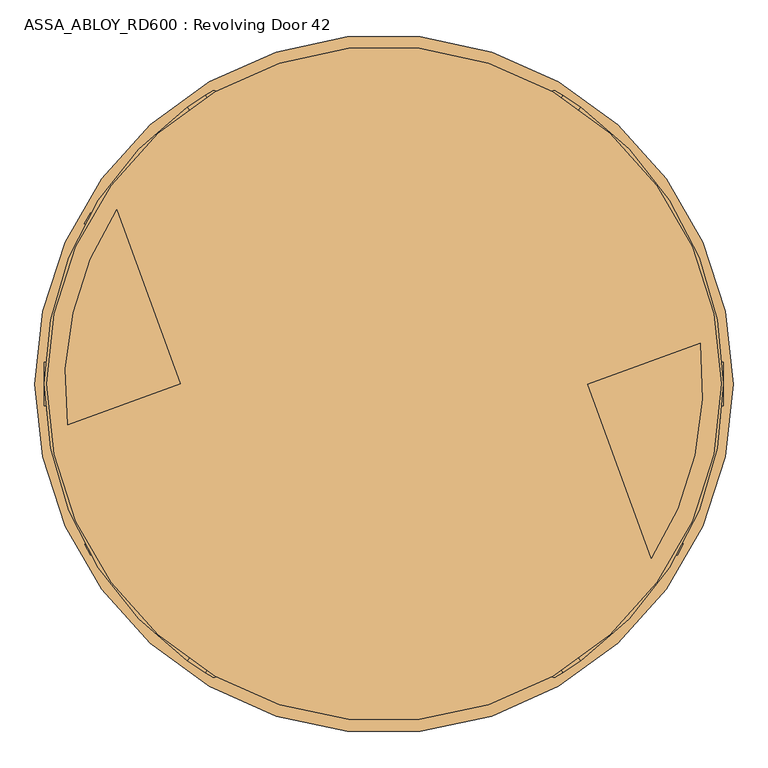
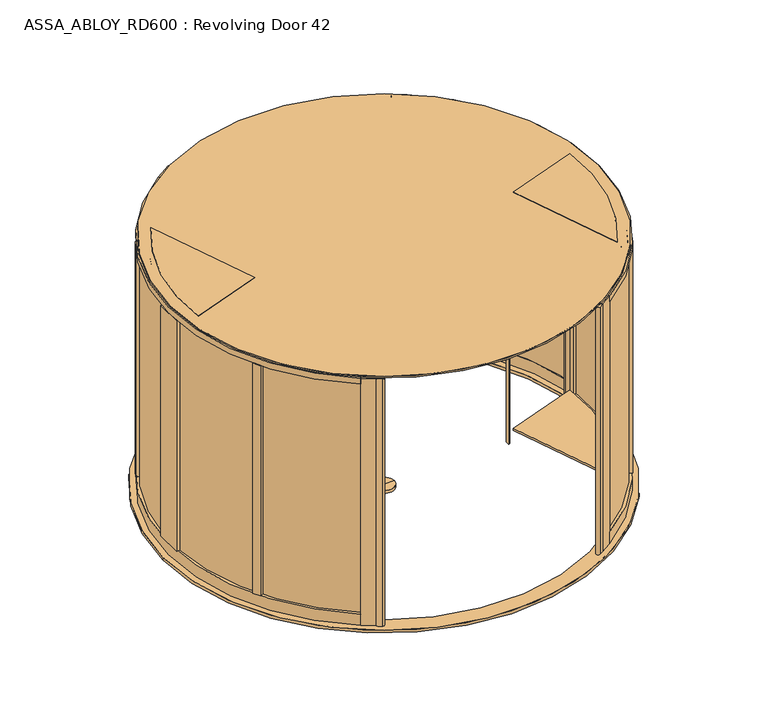
"""IFC4 building model written with IfcOpenShell, lengths in millimetres: door geometry, ASSA_ABLOY_RD600 : Revolving Door 42."""

from ifc_helpers import new_model, si_unit, point, frame, frame_2d, origin, origin_with_axes, origin_2d, place, context, project, spatial, polyline, circle_curve, trimmed, segment, composite_curve, outline, extrude, source, transform, mapped, element, save
from ifc_brep_helpers import plane_surface, cylinder_surface, advanced_brep


def assa_abloy_rd600_revolving_door_42_792c15c3(model_context):
    return source(origin(), model_context, "Body", "SolidModel", [
        extrude(outline(polyline([(-1308.7343153, 67.1190524), (-1271.1466104, 80.7998581), (-1247.2052004, 15.0213746), (-1284.7929052, 1.3405689), (-1308.7343153, 67.1190524)])), frame((0.0, 0.0, 148.0), z_axis=(0.0, 0.0, 1.0), x_axis=(1.0, 0.0, 0.0)), (0.0, 0.0, 1.0), 2372.0),
        extrude(outline(polyline([(-1640.428193, 1045.6879929), (-1287.121385, 74.9855157), (-1292.7595407, 72.9333948), (-1646.0663488, 1043.6358721), (-1640.428193, 1045.6879929)])), frame((0.0, 0.0, 148.0), z_axis=(0.0, 0.0, 1.0), x_axis=(1.0, 0.0, 0.0)), (0.0, 0.0, 1.0), 2372.0),
        extrude(outline(polyline([(-1664.3696031, 1111.4664764), (-1263.1799749, 9.2070322), (-1268.8181307, 7.1549113), (-1670.0077588, 1109.4143555), (-1664.3696031, 1111.4664764)])), frame((0.0, 0.0, -1.0), z_axis=(0.0, 0.0, 1.0), x_axis=(1.0, 0.0, 0.0)), (0.0, 0.0, 1.0), 29.0),
        extrude(outline(polyline([(-21.1919362, 1e-07), (0.0, 0.0), (1.2354289, -3.3526834), (-14.8894584, -17.1035441), (-15.8652682, -14.4554101), (-11.2716326, -10.6269535), (-14.2348715, -2.5853723), (-20.214336, -2.6529929), (-21.1919362, 1e-07)]), holes=[polyline([(-11.7626281, -2.5849674), (-9.3848751, -9.0376682), (-1.6611384, -2.5160752), (-11.7626281, -2.5849674)])]), frame((-1649.8183881, 998.3922317, 122.8848654), z_axis=(0.9396926207859982, 0.34202014332542185, 0.0), x_axis=(-0.11825756092403869, 0.3249099783188412, 0.9383222555567716)), (0.0, 0.0, 1.0), 2.0),
        extrude(outline(polyline([(-3.5121291, 0.0), (0.0, 0.0), (2.8187321, -2.6852579), (4.250422, -5.1162244), (5.5118808, -7.3434952), (7.3063201, -9.1972245), (9.3614355, -9.1814982), (11.0208469, -7.16163), (10.6514742, -3.4882218), (8.71119, 0.0484616), (6.0403681, 2.6484111), (9.0699595, 3.711135), (11.0920113, 1.0208017), (12.7977466, -2.5981571), (13.1300796, -8.3561655), (9.9996043, -11.7673438), (6.2388815, -11.6844271), (3.0893834, -8.4786223), (1.8238571, -6.2006452), (0.6628891, -4.2207408), (-0.9295188, -2.6144293), (-2.9863484, -2.6252692), (-4.8029446, -4.7524081), (-4.3562345, -8.76362), (-2.4447823, -12.1320668), (0.6567352, -15.0446471), (-2.5145629, -16.157079), (-4.8247981, -13.2083905), (-6.5093631, -9.6341389), (-7.2092232, -6.1919012), (-6.787432, -3.3659463), (-5.4926863, -1.2764386), (-3.5121291, 0.0)])), frame((-1641.7023217, 976.0935226, 111.999973), z_axis=(0.9396926207859984, 0.34202014332542185, 0.0), x_axis=(-0.11321109633786393, 0.3110449308202373, 0.9436282629706535)), (0.0, 0.0, 1.0), 2.0),
        extrude(outline(polyline([(-3.5121291, 0.0), (0.0, 0.0), (2.8187321, -2.6852579), (4.250422, -5.1162244), (5.5118808, -7.3434952), (7.3063201, -9.1972245), (9.3614355, -9.1814982), (11.0208469, -7.16163), (10.6514742, -3.4882218), (8.71119, 0.0484616), (6.0403681, 2.648411), (9.0699596, 3.7111349), (11.0920114, 1.0208016), (12.7977466, -2.5981572), (13.1300797, -8.3561656), (9.9996044, -11.7673439), (6.2388815, -11.6844271), (3.0893834, -8.4786224), (1.8238571, -6.2006453), (0.6628891, -4.2207408), (-0.9295188, -2.6144294), (-2.9863484, -2.6252693), (-4.8029446, -4.7524081), (-4.3562345, -8.76362), (-2.4447823, -12.1320668), (0.6567353, -15.0446472), (-2.5145629, -16.1570791), (-4.824798, -13.2083906), (-6.5093631, -9.6341389), (-7.2092232, -6.1919012), (-6.787432, -3.3659463), (-5.4926863, -1.2764387), (-3.5121291, 0.0)])), frame((-1635.2413484, 958.3421443, 111.999973), z_axis=(0.9396926207859984, 0.3420201433254219, 0.0), x_axis=(-0.11321109633786686, 0.31104493082024537, 0.9436282629706505)), (0.0, 0.0, 1.0), 2.0),
        extrude(outline(polyline([(-21.1919362, 0.0), (0.0, 0.0), (1.2354289, -3.3526834), (-14.8894584, -17.1035441), (-15.8652682, -14.4554102), (-11.2716326, -10.6269535), (-14.2348715, -2.5853724), (-20.214336, -2.6529929), (-21.1919362, 0.0)]), holes=[polyline([(-11.7626281, -2.5849674), (-9.3848751, -9.0376682), (-1.6611384, -2.5160753), (-11.7626281, -2.5849674)])]), frame((-1630.4354681, 945.1380969, 122.8848654), z_axis=(0.9396926207859982, 0.34202014332542185, 0.0), x_axis=(-0.11825756092403869, 0.3249099783188412, 0.9383222555567716)), (0.0, 0.0, 1.0), 2.0),
        extrude(outline(polyline([(-21.1919362, 1e-07), (0.0, 0.0), (1.2354289, -3.3526834), (-14.8894584, -17.1035441), (-15.8652682, -14.4554101), (-11.2716326, -10.6269535), (-14.2348715, -2.5853723), (-20.214336, -2.6529929), (-21.1919362, 1e-07)]), holes=[polyline([(-11.7626281, -2.5849674), (-9.3848751, -9.0376682), (-1.6611384, -2.5160752), (-11.7626281, -2.5849674)])]), frame((-1620.687333, 918.3553157, 122.8848654), z_axis=(0.9396926207859982, 0.34202014332542185, 0.0), x_axis=(-0.11825756092403869, 0.3249099783188412, 0.9383222555567716)), (0.0, 0.0, 1.0), 2.0),
        extrude(outline(polyline([(-3.6247797, 0.0), (0.0, 0.0), (2.8147562, -2.4211002), (3.7068839, -0.0321766), (5.7320771, 1.441087), (7.9241126, 1.6554025), (9.8352433, 0.5920774), (11.1479956, -1.1951534), (12.3716711, -4.2930708), (14.3144162, -9.9880647), (-4.5055294, -16.4081518), (-6.8194358, -9.6251298), (-7.5842828, -6.2202287), (-7.2049821, -3.4426962), (-5.9232413, -1.3859292), (-3.6247797, 0.0)]), holes=[polyline([(5.2214252, -2.9241786), (4.7734732, -6.6552624), (5.9304264, -10.0467735), (11.2627443, -8.2277488), (10.1960736, -5.1008932), (9.3653605, -2.9303687), (5.2214252, -2.9241786)]), polyline([(-2.8765906, -2.5461079), (-4.3679308, -3.4351117), (-5.1102534, -4.8838351), (-5.1175974, -6.8751817), (-4.3362091, -9.7190964), (-3.1658807, -13.1498156), (3.734766, -10.7957836), (2.347091, -6.7279308), (1.5099769, -4.5787396), (0.5832315, -3.1932876), (-0.9746905, -2.291247), (-2.8765906, -2.5461079)])]), frame((-1612.3472224, 895.4410503, 112.561824), z_axis=(0.9396926207859982, 0.34202014332542185, 0.0), x_axis=(-0.11042564634809944, 0.303391969870333, 0.9464457138403678)), (0.0, 0.0, 1.0), 2.0),
        extrude(outline(polyline([(-2.319901, 0.0), (0.0, 0.0), (0.0, -9.9424327), (17.5649644, -9.9424327), (17.5649644, -12.5937481), (-2.319901, -12.5937481), (-2.319901, 0.0)])), frame((-1606.3927838, 879.0813645, 105.319901), z_axis=(0.9396926207859982, 0.34202014332542185, 0.0), x_axis=(0.0, 0.0, 1.0)), (0.0, 0.0, 1.0), 2.0),
        extrude(outline(polyline([(-3.4755123, 0.0), (0.0, 0.0), (3.5095377, -1.5864764), (6.1998493, -4.2905332), (7.4345588, -7.5668217), (7.0812776, -11.3109182), (5.1361655, -15.2239686), (2.1257686, -18.4422905), (-1.2097864, -20.048671), (-4.7147757, -20.0502836), (-8.2007386, -18.4707048), (-10.9175762, -15.7640054), (-12.1283676, -12.475947), (-11.7934802, -8.7947163), (-9.841779, -4.8358203), (-6.8343334, -1.6217536), (-3.4755123, 0.0)]), holes=[polyline([(-7.6631689, -6.3468237), (-9.5892894, -12.1951337), (-6.8871209, -16.5585186), (-1.8513938, -17.5618518), (2.9575554, -13.7129652), (4.8960977, -7.8921765), (2.1788995, -3.4868579), (-2.8864763, -2.494471), (-7.6631689, -6.3468237)])]), frame((-1601.4151068, 865.4053095, 122.5197917), z_axis=(0.9396926207859984, 0.3420201433254219, 0.0), x_axis=(-0.2810410816453021, 0.7721540257602016, 0.5699070721880477)), (0.0, 0.0, 1.0), 2.0),
        extrude(outline(polyline([(-3.1691505, 0.0), (0.0, 0.0), (5.4320895, -8.8964059), (10.9211409, 0.0), (14.0643996, 0.0), (6.7732823, -11.4441543), (6.7732823, -19.8848654), (4.1219669, -19.8848654), (4.1219669, -11.1645234), (-3.1691505, 0.0)])), frame((-1594.2146992, 845.6223522, 122.8848654), z_axis=(0.9396926207859982, 0.34202014332542185, 0.0), x_axis=(-0.34202014332542185, 0.9396926207859982, 0.0)), (0.0, 0.0, 1.0), 2.0),
        extrude(outline(polyline([(21.1919362, 1e-07), (20.214336, -2.6529929), (14.2348715, -2.5853724), (11.2716326, -10.6269535), (15.8652682, -14.4554102), (14.8894584, -17.1035441), (-1.2354289, -3.3526833), (0.0, 0.0), (21.1919362, 1e-07)]), holes=[polyline([(11.7626281, -2.5849674), (1.6611384, -2.5160753), (9.3848751, -9.0376681), (11.7626281, -2.5849674)])]), frame((-1557.6185625, 867.8750776, 122.8848654), z_axis=(0.9396926207859961, 0.342020143325428, 0.0), x_axis=(-0.11825756092404077, 0.32490997831884044, -0.9383222555567716)), (0.0, 0.0, 1.0), 2.0),
        extrude(outline(polyline([(3.5121291, 0.0), (5.4926863, -1.2764386), (6.787432, -3.3659463), (7.2092232, -6.1919011), (6.5093631, -9.6341389), (4.8247981, -13.2083905), (2.5145629, -16.157079), (-0.6567352, -15.0446471), (2.4447823, -12.1320668), (4.3562346, -8.7636199), (4.8029446, -4.7524081), (2.9863484, -2.6252692), (0.9295188, -2.6144293), (-0.6628891, -4.2207407), (-1.8238571, -6.2006452), (-3.0893834, -8.4786223), (-6.2388815, -11.6844271), (-9.9996043, -11.7673438), (-13.1300796, -8.3561655), (-12.7977466, -2.5981571), (-11.0920113, 1.0208017), (-9.0699595, 3.711135), (-6.0403681, 2.6484111), (-8.7111899, 0.0484617), (-10.6514742, -3.4882217), (-11.0208469, -7.16163), (-9.3614355, -9.1814982), (-7.3063201, -9.1972245), (-5.5118807, -7.3434952), (-4.250422, -5.1162243), (-2.818732, -2.6852578), (0.0, 0.0), (3.5121291, 0.0)])), frame((-1565.7346288, 890.1737867, 111.999973), z_axis=(0.939692620785996, 0.34202014332542796, 0.0), x_axis=(-0.11321109633786593, 0.31104493082023654, -0.9436282629706535)), (0.0, 0.0, 1.0), 2.0),
        extrude(outline(polyline([(3.5121291, 0.0), (5.4926863, -1.2764387), (6.787432, -3.3659463), (7.2092232, -6.1919012), (6.5093631, -9.6341389), (4.8247981, -13.2083905), (2.5145629, -16.157079), (-0.6567352, -15.0446471), (2.4447823, -12.1320668), (4.3562345, -8.76362), (4.8029446, -4.7524081), (2.9863484, -2.6252692), (0.9295188, -2.6144293), (-0.6628891, -4.2207408), (-1.8238571, -6.2006452), (-3.0893834, -8.4786223), (-6.2388815, -11.6844271), (-9.9996043, -11.7673438), (-13.1300796, -8.3561655), (-12.7977466, -2.5981571), (-11.0920113, 1.0208017), (-9.0699595, 3.711135), (-6.0403681, 2.6484111), (-8.71119, 0.0484616), (-10.6514742, -3.4882218), (-11.0208469, -7.16163), (-9.3614355, -9.1814982), (-7.3063201, -9.1972245), (-5.5118807, -7.3434952), (-4.250422, -5.1162244), (-2.8187321, -2.6852579), (0.0, 0.0), (3.5121291, 0.0)])), frame((-1572.1956021, 907.925165, 111.999973), z_axis=(0.939692620785996, 0.34202014332542796, 0.0), x_axis=(-0.11321109633786593, 0.31104493082023654, -0.9436282629706535)), (0.0, 0.0, 1.0), 2.0),
        extrude(outline(polyline([(21.1919362, 1e-07), (20.214336, -2.6529929), (14.2348715, -2.5853724), (11.2716326, -10.6269535), (15.8652682, -14.4554101), (14.8894584, -17.1035441), (-1.2354289, -3.3526834), (0.0, 0.0), (21.1919362, 1e-07)]), holes=[polyline([(11.7626281, -2.5849674), (1.6611384, -2.5160753), (9.3848751, -9.0376682), (11.7626281, -2.5849674)])]), frame((-1577.0014824, 921.1292124, 122.8848654), z_axis=(0.9396926207859961, 0.342020143325428, 0.0), x_axis=(-0.11825756092404077, 0.32490997831884044, -0.9383222555567716)), (0.0, 0.0, 1.0), 2.0),
        extrude(outline(polyline([(21.1919362, 1e-07), (20.214336, -2.6529929), (14.2348715, -2.5853723), (11.2716326, -10.6269535), (15.8652682, -14.4554101), (14.8894584, -17.1035441), (-1.2354289, -3.3526833), (0.0, 0.0), (21.1919362, 1e-07)]), holes=[polyline([(11.7626281, -2.5849674), (1.6611385, -2.5160751), (9.3848751, -9.0376681), (11.7626281, -2.5849674)])]), frame((-1586.7496175, 947.9119936, 122.8848654), z_axis=(0.9396926207859961, 0.342020143325428, 0.0), x_axis=(-0.11825756092404077, 0.32490997831884044, -0.9383222555567716)), (0.0, 0.0, 1.0), 2.0),
        extrude(outline(polyline([(3.6247797, -1e-07), (5.9232413, -1.3859293), (7.2049821, -3.4426963), (7.5842828, -6.2202288), (6.8194358, -9.6251298), (4.5055294, -16.4081519), (-14.3144162, -9.9880648), (-12.3716711, -4.2930708), (-11.1479956, -1.1951535), (-9.8352433, 0.5920774), (-7.9241126, 1.6554024), (-5.7320772, 1.4410869), (-3.7068839, -0.0321767), (-2.8147562, -2.4211003), (0.0, 0.0), (3.6247797, -1e-07)]), holes=[polyline([(-5.2214253, -2.9241787), (-9.3653605, -2.9303688), (-10.1960736, -5.1008933), (-11.2627443, -8.2277489), (-5.9304264, -10.0467736), (-4.7734732, -6.6552625), (-5.2214253, -2.9241787)]), polyline([(2.8765906, -2.5461079), (0.9746905, -2.2912471), (-0.5832316, -3.1932877), (-1.5099769, -4.5787397), (-2.347091, -6.7279308), (-3.7347661, -10.7957837), (3.1658807, -13.1498157), (4.3362091, -9.7190964), (5.1175974, -6.8751818), (5.1102534, -4.8838351), (4.3679308, -3.4351117), (2.8765906, -2.5461079)])]), frame((-1595.0897281, 970.8262591, 112.561824), z_axis=(0.939692620785996, 0.3420201433254279, 0.0), x_axis=(-0.1104256463481014, 0.3033919698703323, -0.9464457138403678)), (0.0, 0.0, 1.0), 2.0),
        extrude(outline(polyline([(2.319901, 0.0), (2.319901, -12.5937481), (-17.5649644, -12.5937481), (-17.5649644, -9.9424327), (0.0, -9.9424327), (0.0, 0.0), (2.319901, 0.0)])), frame((-1601.0441668, 987.1859448, 105.319901), z_axis=(0.939692620785996, 0.3420201433254279, 0.0), x_axis=(0.0, 0.0, -1.0)), (0.0, 0.0, 1.0), 2.0),
        extrude(outline(polyline([(3.4755123, 0.0), (6.8343334, -1.6217536), (9.8417791, -4.8358203), (11.7934802, -8.7947163), (12.1283676, -12.475947), (10.9175762, -15.7640054), (8.2007387, -18.4707048), (4.7147758, -20.0502835), (1.2097864, -20.048671), (-2.1257686, -18.4422905), (-5.1361655, -15.2239686), (-7.0812776, -11.3109182), (-7.4345587, -7.5668217), (-6.1998493, -4.2905332), (-3.5095376, -1.5864763), (0.0, 0.0), (3.4755123, 0.0)]), holes=[polyline([(7.663169, -6.3468237), (2.8864763, -2.494471), (-2.1788995, -3.4868579), (-4.8960977, -7.8921765), (-2.9575554, -13.7129652), (1.8513939, -17.5618518), (6.8871209, -16.5585186), (9.5892894, -12.1951337), (7.663169, -6.3468237)])]), frame((-1606.0218437, 1000.8619998, 122.5197917), z_axis=(0.9396926207859961, 0.3420201433254279, 0.0), x_axis=(-0.2810410816453074, 0.7721540257602008, -0.5699070721880464)), (0.0, 0.0, 1.0), 2.0),
        extrude(outline(polyline([(3.1691504, 0.0), (-4.1219669, -11.1645234), (-4.1219669, -19.8848654), (-6.7732823, -19.8848654), (-6.7732823, -11.4441543), (-14.0643997, 0.0), (-10.921141, 0.0), (-5.4320896, -8.8964059), (0.0, 0.0), (3.1691504, 0.0)])), frame((-1613.2222513, 1020.6449572, 122.8848654), z_axis=(0.939692620785996, 0.3420201433254279, 0.0), x_axis=(-0.3420201433254279, 0.939692620785996, 0.0)), (0.0, 0.0, 1.0), 2.0),
        extrude(outline(polyline([(16.3017206, 0.0), (78.5957564, 16.6009104), (88.5222618, -2.8076911), (20.0, -58.7981528), (20.0, 0.0), (16.3017206, 0.0)])), frame((-1265.9990528, 8.1809718, 28.0), z_axis=(-0.34202014332543407, 0.9396926207859938, 0.0), x_axis=(0.9396926207859938, 0.34202014332543407, 0.0)), (0.0, 0.0, 1.0), 1173.0),
        extrude(outline(composite_curve([segment(trimmed(circle_curve(origin_2d(), 2010.0), [point((1993.5503681, 256.6260509))], [point((1683.8294384, -1097.6422105))], False, "CARTESIAN"), True, "CONTINUOUS"), segment(polyline([(1683.8294384, -1097.6422105), (1284.8064754, -1.3356298), (1993.5503681, 256.6260509)]), True, "CONTINUOUS")], self_intersect=False)), frame((0.0, 0.0, 2600.0), z_axis=(0.0, 0.0, 1.0), x_axis=(1.0, 0.0, 0.0)), (0.0, 0.0, 1.0), 18.0),
        extrude(outline(composite_curve([segment(polyline([(-1683.8195767, 1097.6573386), (-1284.7929052, 1.3405689), (-1993.5503681, -256.6260509)]), True, "CONTINUOUS"), segment(trimmed(circle_curve(origin_2d(), 2010.0), [point((-1993.5503681, -256.6260509))], [point((-1683.8195767, 1097.6573386))], False, "CARTESIAN"), True, "CONTINUOUS")], self_intersect=False)), frame((0.0, 0.0, 2600.0), z_axis=(0.0, 0.0, 1.0), x_axis=(1.0, 0.0, 0.0)), (0.0, 0.0, 1.0), 18.0),
        extrude(outline(composite_curve([segment(polyline([(-1284.7929052, 1.3405689), (-1993.5503681, -256.6260509)]), True, "CONTINUOUS"), segment(trimmed(circle_curve(origin_2d(), 2010.0), [point((-1993.5503681, -256.6260509))], [point((-1683.8195767, 1097.6573386))], False, "CARTESIAN"), True, "CONTINUOUS"), segment(polyline([(-1683.8195767, 1097.6573386), (-1284.7929052, 1.3405689)]), True, "CONTINUOUS")], self_intersect=False)), frame((0.0, 0.0, 112.0), z_axis=(0.0, 0.0, 1.0), x_axis=(1.0, 0.0, 0.0)), (0.0, 0.0, 1.0), 22.0),
        extrude(outline(composite_curve([segment(polyline([(1284.8064754, -1.3356298), (1993.5503681, 256.6260509)]), True, "CONTINUOUS"), segment(trimmed(circle_curve(origin_2d(), 2010.0), [point((1993.5503681, 256.6260509))], [point((1683.8294384, -1097.6422105))], False, "CARTESIAN"), True, "CONTINUOUS"), segment(polyline([(1683.8294384, -1097.6422105), (1284.8064754, -1.3356298)]), True, "CONTINUOUS")], self_intersect=False)), frame((0.0, 0.0, 112.0), z_axis=(0.0, 0.0, 1.0), x_axis=(1.0, 0.0, 0.0)), (0.0, 0.0, 1.0), 22.0),
        extrude(outline(composite_curve([segment(polyline([(1960.824541, 441.8903932), (2000.7059306, 446.8509588)]), True, "CONTINUOUS"), segment(trimmed(circle_curve(origin_2d(), 2050.0), [point((2000.7059306, 446.8509588))], [point((1223.2720015, -1645.0245014))], False, "CARTESIAN"), True, "CONTINUOUS"), segment(polyline([(1223.2720015, -1645.0245014), (1199.8730074, -1612.5770574)]), True, "CONTINUOUS"), segment(trimmed(circle_curve(origin_2d(), 2010.0), [point((1199.8730074, -1612.5770574))], [point((1960.824541, 441.8903932))], True, "CARTESIAN"), True, "CONTINUOUS")], self_intersect=False)), frame((0.0, 0.0, 2520.0), z_axis=(0.0, 0.0, 1.0), x_axis=(1.0, 0.0, 0.0)), (0.0, 0.0, 1.0), 80.0),
        extrude(outline(composite_curve([segment(polyline([(-2000.3220048, -197.0073023), (-2040.0707994, -201.5220424)]), True, "CONTINUOUS"), segment(trimmed(circle_curve(origin_2d(), 2050.0), [point((-2040.0707994, -201.5220424))], [point((-1223.4832321, 1644.8674053))], False, "CARTESIAN"), True, "CONTINUOUS"), segment(polyline([(-1223.4832321, 1644.8674053), (-1200.0819109, 1612.4215972)]), True, "CONTINUOUS"), segment(trimmed(circle_curve(origin_2d(), 2010.0), [point((-1200.0819109, 1612.4215972))], [point((-2000.3220048, -197.0073023))], True, "CARTESIAN"), True, "CONTINUOUS")], self_intersect=False)), frame((0.0, 0.0, 2520.0), z_axis=(0.0, 0.0, 1.0), x_axis=(1.0, 0.0, 0.0)), (0.0, 0.0, 1.0), 80.0),
        extrude(outline(composite_curve([segment(polyline([(2000.3449418, 196.7742708), (2040.0942621, 201.2843802)]), True, "CONTINUOUS"), segment(trimmed(circle_curve(origin_2d(), 2050.0), [point((2040.0942621, 201.2843802))], [point((1223.2720015, -1645.0245014))], False, "CARTESIAN"), True, "CONTINUOUS"), segment(polyline([(1223.2720015, -1645.0245014), (1199.8730074, -1612.5770574)]), True, "CONTINUOUS"), segment(trimmed(circle_curve(origin_2d(), 2010.0), [point((1199.8730074, -1612.5770574))], [point((2000.3449418, 196.7742708))], True, "CARTESIAN"), True, "CONTINUOUS")], self_intersect=False)), origin_with_axes(), (0.0, 0.0, 1.0), 120.0),
        extrude(outline(composite_curve([segment(polyline([(-2000.3220048, -197.0073023), (-2040.0707994, -201.5220424)]), True, "CONTINUOUS"), segment(trimmed(circle_curve(origin_2d(), 2050.0), [point((-2040.0707994, -201.5220424))], [point((-1223.4832321, 1644.8674053))], False, "CARTESIAN"), True, "CONTINUOUS"), segment(polyline([(-1223.4832321, 1644.8674053), (-1200.0819109, 1612.4215972)]), True, "CONTINUOUS"), segment(trimmed(circle_curve(origin_2d(), 2010.0), [point((-1200.0819109, 1612.4215972))], [point((-2000.3220048, -197.0073023))], True, "CARTESIAN"), True, "CONTINUOUS")], self_intersect=False)), origin_with_axes(), (0.0, 0.0, 1.0), 120.0),
        extrude(outline(composite_curve([segment(trimmed(circle_curve(origin_2d(), 2036.0), [point((1215.082365, -1633.6679119))], [point((1663.6445203, -1173.7047798))], True, "CARTESIAN"), True, "CONTINUOUS"), segment(polyline([(1663.6445203, -1173.7047798), (1671.9289329, -1179.3089685)]), True, "CONTINUOUS"), segment(trimmed(circle_curve(origin_2d(), 2046.0), [point((1671.9289329, -1179.3089685))], [point((1220.9321066, -1641.7797633))], False, "CARTESIAN"), True, "CONTINUOUS"), segment(polyline([(1220.9321066, -1641.7797633), (1215.082365, -1633.6679119)]), True, "CONTINUOUS")], self_intersect=False)), frame((0.0, 0.0, 120.0), z_axis=(0.0, 0.0, 1.0), x_axis=(1.0, 0.0, 0.0)), (0.0, 0.0, 1.0), 2400.0),
        extrude(outline(polyline([(-2033.5175504, -261.1634971), (-1993.5652353, -256.6256408), (-1984.4153433, -304.8490765), (-2000.889355, -363.378073), (-2021.9078338, -363.378073), (-2033.5175504, -261.1634971)])), origin_with_axes(), (0.0, 0.0, 1.0), 2600.0),
        extrude(outline(polyline([(2033.5479612, 260.926598), (1993.5951178, 256.393396), (1984.4427108, 304.6895748), (2000.9321498, 363.1407779), (2021.9503506, 363.1407779), (2033.5479612, 260.926598)])), origin_with_axes(), (0.0, 0.0, 1.0), 2600.0),
        extrude(outline(polyline([(-1636.5645852, 1121.5866752), (-1674.1526714, 1107.9057307), (-1675.2326947, 1110.8730704), (-1647.5562147, 1151.7859289), (-1636.5645852, 1121.5866752)])), origin_with_axes(), (0.0, 0.0, 1.0), 2600.0),
        extrude(outline(polyline([(-1226.0, 22.7394364), (-1226.0, -19.8276745), (-1228.7977529, -20.8459733), (-1242.4785586, 16.7417316), (-1226.0, 22.7394364)])), origin_with_axes(), (0.0, 0.0, 1.0), 2600.0),
        extrude(outline(polyline([(1226.0, -22.7394364), (1226.0, 19.8276745), (1228.7977529, 20.8459733), (1242.4785586, -16.7417316), (1226.0, -22.7394364)])), origin_with_axes(), (0.0, 0.0, 1.0), 2600.0),
        extrude(outline(polyline([(-1993.773097, -256.6492501), (-2033.5175504, -261.1634971), (-2040.2889209, -201.546817), (-2000.5444675, -197.03257), (-1993.773097, -256.6492501)])), origin_with_axes(), (0.0, 0.0, 1.0), 2600.0),
        extrude(outline(composite_curve([segment(trimmed(circle_curve(origin_2d(), 2036.0), [point((1708.4694192, -1107.4422079))], [point((1968.6975861, -519.1587564))], True, "CARTESIAN"), True, "CONTINUOUS"), segment(polyline([(1968.6975861, -519.1587564), (1978.4171209, -521.5186438)]), True, "CONTINUOUS"), segment(trimmed(circle_curve(origin_2d(), 2046.0), [point((1978.4171209, -521.5186438))], [point((1716.7538318, -1113.0463966))], False, "CARTESIAN"), True, "CONTINUOUS"), segment(polyline([(1716.7538318, -1113.0463966), (1708.4694192, -1107.4422079)]), True, "CONTINUOUS")], self_intersect=False)), frame((0.0, 0.0, 120.0), z_axis=(0.0, 0.0, 1.0), x_axis=(1.0, 0.0, 0.0)), (0.0, 0.0, 1.0), 2400.0),
        extrude(outline(composite_curve([segment(polyline([(-1716.7538318, 1113.0463966), (-1708.4694192, 1107.4422079)]), True, "CONTINUOUS"), segment(trimmed(circle_curve(origin_2d(), 2036.0), [point((-1708.4694192, 1107.4422079))], [point((-1968.6975861, 519.1587564))], True, "CARTESIAN"), True, "CONTINUOUS"), segment(polyline([(-1968.6975861, 519.1587564), (-1978.4171209, 521.5186438)]), True, "CONTINUOUS"), segment(trimmed(circle_curve(origin_2d(), 2046.0), [point((-1978.4171209, 521.5186438))], [point((-1716.7538318, 1113.0463966))], False, "CARTESIAN"), True, "CONTINUOUS")], self_intersect=False)), frame((0.0, 0.0, 120.0), z_axis=(0.0, 0.0, 1.0), x_axis=(1.0, 0.0, 0.0)), (0.0, 0.0, 1.0), 2400.0),
        extrude(outline(composite_curve([segment(trimmed(circle_curve(origin_2d(), 2036.0), [point((-1215.5802102, 1633.2975089))], [point((-1663.6445203, 1173.7047798))], True, "CARTESIAN"), True, "CONTINUOUS"), segment(polyline([(-1663.6445203, 1173.7047798), (-1671.9289329, 1179.3089685)]), True, "CONTINUOUS"), segment(trimmed(circle_curve(origin_2d(), 2046.0), [point((-1671.9289329, 1179.3089685))], [point((-1221.1431045, 1641.6228307))], False, "CARTESIAN"), True, "CONTINUOUS"), segment(polyline([(-1221.1431045, 1641.6228307), (-1215.5802102, 1633.2975089)]), True, "CONTINUOUS")], self_intersect=False)), frame((0.0, 0.0, 120.0), z_axis=(0.0, 0.0, 1.0), x_axis=(1.0, 0.0, 0.0)), (0.0, 0.0, 1.0), 2400.0),
        extrude(outline(composite_curve([segment(trimmed(circle_curve(origin_2d(), 2036.0), [point((1987.5730597, -441.4174128))], [point((2026.1820194, 199.7058441))], True, "CARTESIAN"), True, "CONTINUOUS"), segment(polyline([(2026.1820194, 199.7058441), (2036.1193377, 200.8333702)]), True, "CONTINUOUS"), segment(trimmed(circle_curve(origin_2d(), 2046.0), [point((2036.1193377, 200.8333702))], [point((1997.2925944, -443.7773003))], False, "CARTESIAN"), True, "CONTINUOUS"), segment(polyline([(1997.2925944, -443.7773003), (1987.5730597, -441.4174128)]), True, "CONTINUOUS")], self_intersect=False)), frame((0.0, 0.0, 120.0), z_axis=(0.0, 0.0, 1.0), x_axis=(1.0, 0.0, 0.0)), (0.0, 0.0, 1.0), 2400.0),
        extrude(outline(polyline([(1636.5645852, -1121.5866752), (1674.1526714, -1107.9057307), (1675.2326947, -1110.8730704), (1647.5562147, -1151.7859289), (1636.5645852, -1121.5866752)])), origin_with_axes(), (0.0, 0.0, 1.0), 2600.0),
        extrude(outline(composite_curve([segment(trimmed(circle_curve(origin_2d(), 2036.0), [point((-1987.5730597, 441.4174128))], [point((-2026.1587407, -199.9418855))], True, "CARTESIAN"), True, "CONTINUOUS"), segment(polyline([(-2026.1587407, -199.9418855), (-2036.0959276, -201.0705692)]), True, "CONTINUOUS"), segment(trimmed(circle_curve(origin_2d(), 2046.0), [point((-2036.0959276, -201.0705692))], [point((-1997.2925944, 443.7773003))], False, "CARTESIAN"), True, "CONTINUOUS"), segment(polyline([(-1997.2925944, 443.7773003), (-1987.5730597, 441.4174128)]), True, "CONTINUOUS")], self_intersect=False)), frame((0.0, 0.0, 120.0), z_axis=(0.0, 0.0, 1.0), x_axis=(1.0, 0.0, 0.0)), (0.0, 0.0, 1.0), 2400.0),
        extrude(outline(polyline([(-1642.4346705, 1159.3568705), (-1687.2595694, 1093.0942986), (-1720.3908553, 1115.506748), (-1675.5659565, 1181.7693199), (-1642.4346705, 1159.3568705)])), origin_with_axes(), (0.0, 0.0, 1.0), 2600.0),
        extrude(outline(polyline([(1642.4346705, -1159.3568705), (1687.2595694, -1093.0942986), (1720.3908553, -1115.506748), (1675.5659565, -1181.7693199), (1642.4346705, -1159.3568705)])), origin_with_axes(), (0.0, 0.0, 1.0), 2600.0),
        extrude(outline(polyline([(1962.6889936, -435.3756015), (2001.5596654, -444.8133382), (1982.6841918, -522.5546818), (1943.8135201, -513.116945), (1962.6889936, -435.3756015)])), origin_with_axes(), (0.0, 0.0, 1.0), 2600.0),
        extrude(outline(polyline([(1174.7345532, -1680.2972146), (1151.3381146, -1647.8533144), (1200.0039649, -1612.7586565), (1223.4004035, -1645.2025567), (1174.7345532, -1680.2972146)])), origin_with_axes(), (0.0, 0.0, 1.0), 2600.0),
        extrude(outline(polyline([(-1962.6889936, 435.3756015), (-2001.5596654, 444.8133382), (-1982.6841918, 522.5546818), (-1943.8135201, 513.116945), (-1962.6889936, 435.3756015)])), origin_with_axes(), (0.0, 0.0, 1.0), 2600.0),
        extrude(outline(polyline([(-1200.2139092, 1612.604612), (-1223.6126544, 1645.0468487), (-1174.9492994, 1680.1449666), (-1151.5505542, 1647.7027299), (-1200.2139092, 1612.604612)])), origin_with_axes(), (0.0, 0.0, 1.0), 2600.0),
        extrude(outline(polyline([(1993.8029822, 256.4169811), (2033.5479612, 260.926598), (2040.3123865, 201.3091295), (2000.5674075, 196.7995126), (1993.8029822, 256.4169811)])), origin_with_axes(), (0.0, 0.0, 1.0), 2600.0),
        extrude(outline(composite_curve([segment(trimmed(circle_curve(origin_2d(), 2200.0), [point((-2200.0, 0.0))], [point((2200.0, 0.0))], False, "CARTESIAN"), True, "CONTINUOUS"), segment(trimmed(circle_curve(origin_2d(), 2200.0), [point((2200.0, 0.0))], [point((-2200.0, 0.0))], False, "CARTESIAN"), True, "CONTINUOUS")], self_intersect=False), holes=[composite_curve([segment(trimmed(circle_curve(origin_2d(), 2040.0), [point((2040.0, 0.0))], [point((-2040.0, 0.0))], True, "CARTESIAN"), True, "CONTINUOUS"), segment(trimmed(circle_curve(origin_2d(), 2040.0), [point((-2040.0, 0.0))], [point((2040.0, 0.0))], True, "CARTESIAN"), True, "CONTINUOUS")], self_intersect=False)]), frame((0.0, 0.0, -30.0), z_axis=(0.0, 0.0, 1.0), x_axis=(1.0, 0.0, 0.0)), (0.0, 0.0, 1.0), 30.0),
        advanced_brep(
        [(100.0, 0.0, 0.0), (-100.0, 0.0, 0.0), (0.0, 0.0, 0.0), (100.0, 0.0, -30.0), (-100.0, 0.0, -30.0), (0.0, 0.0, -30.0)],
        [
            (0, 1, circle_curve(frame((0.0, 0.0, 0.0), z_axis=(0.0, 0.0, 1.0), x_axis=(-1.0, 0.0, 0.0)), 100.0)),
            (1, 2),
            (2, 0),
            (1, 0, circle_curve(frame((0.0, 0.0, 0.0), z_axis=(0.0, 0.0, 1.0), x_axis=(-1.0, 0.0, 0.0)), 100.0)),
            (3, 4, circle_curve(frame((0.0, 0.0, -30.0), z_axis=(0.0, 0.0, 1.0), x_axis=(-1.0, 0.0, 0.0)), 100.0)),
            (4, 1),
            (0, 3),
            (4, 3, circle_curve(frame((0.0, 0.0, -30.0), z_axis=(0.0, 0.0, 1.0), x_axis=(-1.0, 0.0, 0.0)), 100.0)),
            (5, 4),
            (3, 5),
        ],
        [
            plane_surface(frame((0.0, 0.0, 0.0), z_axis=(0.0, 0.0, 1.0), x_axis=(-1.0, 0.0, 0.0))),
            cylinder_surface(frame((0.0, 0.0, 2174.3150031), z_axis=(0.0, 0.0, -1.0), x_axis=(-1.0, 0.0, 0.0)), 100.0),
            plane_surface(frame((0.0, 0.0, -30.0), z_axis=(0.0, 0.0, -1.0), x_axis=(-1.0, 0.0, 0.0))),
        ],
        [
            (0, [[1, 2, 3]]),
            (0, [[4, -3, -2]]),
            (1, [[5, 6, -1, 7]]),
            (1, [[8, -7, -4, -6]]),
            (2, [[9, -5, 10]]),
            (2, [[-10, -8, -9]]),
        ],
    ),
        extrude(outline(composite_curve([segment(trimmed(circle_curve(origin_2d(), 2100.0), [point((-1104.4258316, -1786.1252986))], [point((-1061.5859485, -1811.9148087))], True, "CARTESIAN"), True, "CONTINUOUS"), segment(trimmed(circle_curve(frame_2d((-1072.5048825, -1828.6843681)), 20.011028), [point((-1061.5859485, -1811.9148087))], [point((-1082.6284848, -1845.9457099))], False, "CARTESIAN"), True, "CONTINUOUS"), segment(trimmed(circle_curve(origin_2d(), 2140.0), [point((-1082.6284848, -1845.9457099))], [point((-1125.4625141, -1820.1467329))], False, "CARTESIAN"), True, "CONTINUOUS"), segment(polyline([(-1125.4625141, -1820.1467329), (-1104.4258316, -1786.1252986)]), True, "CONTINUOUS")], self_intersect=False)), origin_with_axes(), (0.0, 0.0, 1.0), 2600.0),
        extrude(outline(composite_curve([segment(trimmed(circle_curve(origin_2d(), 2100.0), [point((1104.4258316, 1786.1252986))], [point((1061.5859485, 1811.9148087))], True, "CARTESIAN"), True, "CONTINUOUS"), segment(trimmed(circle_curve(frame_2d((1072.5048825, 1828.6843681)), 20.011028), [point((1061.5859485, 1811.9148087))], [point((1082.6284848, 1845.9457099))], False, "CARTESIAN"), True, "CONTINUOUS"), segment(trimmed(circle_curve(origin_2d(), 2140.0), [point((1082.6284848, 1845.9457099))], [point((1125.4625141, 1820.1467329))], False, "CARTESIAN"), True, "CONTINUOUS"), segment(polyline([(1125.4625141, 1820.1467329), (1104.4258316, 1786.1252986)]), True, "CONTINUOUS")], self_intersect=False)), origin_with_axes(), (0.0, 0.0, 1.0), 2600.0),
        extrude(outline(composite_curve([segment(polyline([(-1104.4258316, 1786.1252986), (-1125.4625141, 1820.1467329)]), True, "CONTINUOUS"), segment(trimmed(circle_curve(origin_2d(), 2140.0), [point((-1125.4625141, 1820.1467329))], [point((-1082.6284848, 1845.9457099))], False, "CARTESIAN"), True, "CONTINUOUS"), segment(trimmed(circle_curve(frame_2d((-1072.5048825, 1828.6843681)), 20.011028), [point((-1082.6284848, 1845.9457099))], [point((-1061.5859485, 1811.9148087))], False, "CARTESIAN"), True, "CONTINUOUS"), segment(trimmed(circle_curve(origin_2d(), 2100.0), [point((-1061.5859485, 1811.9148087))], [point((-1104.4258316, 1786.1252986))], True, "CARTESIAN"), True, "CONTINUOUS")], self_intersect=False)), origin_with_axes(), (0.0, 0.0, 1.0), 2600.0),
        extrude(outline(composite_curve([segment(polyline([(1104.4258316, -1786.1252986), (1125.4625141, -1820.1467329)]), True, "CONTINUOUS"), segment(trimmed(circle_curve(origin_2d(), 2140.0), [point((1125.4625141, -1820.1467329))], [point((1082.6284848, -1845.9457099))], False, "CARTESIAN"), True, "CONTINUOUS"), segment(trimmed(circle_curve(frame_2d((1072.5048825, -1828.6843681)), 20.011028), [point((1082.6284848, -1845.9457099))], [point((1061.5859485, -1811.9148087))], False, "CARTESIAN"), True, "CONTINUOUS"), segment(trimmed(circle_curve(origin_2d(), 2100.0), [point((1061.5859485, -1811.9148087))], [point((1104.4258316, -1786.1252986))], True, "CARTESIAN"), True, "CONTINUOUS")], self_intersect=False)), origin_with_axes(), (0.0, 0.0, 1.0), 2600.0),
        extrude(outline(composite_curve([segment(trimmed(circle_curve(origin_2d(), 2126.0), [point((-2126.0, 0.0))], [point((2126.0, 0.0))], False, "CARTESIAN"), True, "CONTINUOUS"), segment(trimmed(circle_curve(origin_2d(), 2126.0), [point((2126.0, 0.0))], [point((-2126.0, 0.0))], False, "CARTESIAN"), True, "CONTINUOUS")], self_intersect=False)), frame((0.0, 0.0, 2600.0), z_axis=(0.0, 0.0, 1.0), x_axis=(1.0, 0.0, 0.0)), (0.0, 0.0, 1.0), 16.0),
        extrude(outline(composite_curve([segment(polyline([(-1238.7244952, 1744.8325717), (-1217.6470422, 1710.7392684)]), True, "CONTINUOUS"), segment(trimmed(circle_curve(frame_2d((0.0, -0.2065754)), 2100.0), [point((-1217.6470422, 1710.7392684))], [point((-1217.6470422, -1711.1524192))], True, "CARTESIAN"), True, "CONTINUOUS"), segment(polyline([(-1217.6470422, -1711.1524192), (-1238.7244952, -1745.2457226)]), True, "CONTINUOUS"), segment(trimmed(circle_curve(frame_2d((0.0, -0.2065754)), 2140.0), [point((-1238.7244952, -1745.2457226))], [point((-1238.7244952, 1744.8325717))], False, "CARTESIAN"), True, "CONTINUOUS")], self_intersect=False)), frame((0.0, 0.0, 2543.0), z_axis=(0.0, 0.0, 1.0), x_axis=(1.0, 0.0, 0.0)), (0.0, 0.0, 1.0), 60.0),
        extrude(outline(composite_curve([segment(polyline([(-1238.7244952, -1745.2457226), (-1217.6470422, -1711.1524192)]), True, "CONTINUOUS"), segment(trimmed(circle_curve(frame_2d((0.0, -0.2065754)), 2100.0), [point((-1217.6470422, -1711.1524192))], [point((-1104.2867781, -1786.4178484))], True, "CARTESIAN"), True, "CONTINUOUS"), segment(polyline([(-1104.2867781, -1786.4178484), (-1125.3208119, -1820.4409203)]), True, "CONTINUOUS"), segment(trimmed(circle_curve(frame_2d((0.0, -0.2065754)), 2140.0), [point((-1125.3208119, -1820.4409203))], [point((-1238.7244952, -1745.2457226))], False, "CARTESIAN"), True, "CONTINUOUS")], self_intersect=False)), frame((0.0, 0.0, 3.0), z_axis=(0.0, 0.0, 1.0), x_axis=(1.0, 0.0, 0.0)), (0.0, 0.0, 1.0), 2600.0),
        extrude(outline(composite_curve([segment(polyline([(-1125.3208119, 1820.0277695), (-1104.2867781, 1786.0046976)]), True, "CONTINUOUS"), segment(trimmed(circle_curve(frame_2d((0.0, -0.2065754)), 2100.0), [point((-1104.2867781, 1786.0046976))], [point((-1217.6470422, 1710.7392684))], True, "CARTESIAN"), True, "CONTINUOUS"), segment(polyline([(-1217.6470422, 1710.7392684), (-1238.7244952, 1744.8325717)]), True, "CONTINUOUS"), segment(trimmed(circle_curve(frame_2d((0.0, -0.2065754)), 2140.0), [point((-1238.7244952, 1744.8325717))], [point((-1125.3208119, 1820.0277695))], False, "CARTESIAN"), True, "CONTINUOUS")], self_intersect=False)), frame((0.0, 0.0, 3.0), z_axis=(0.0, 0.0, 1.0), x_axis=(1.0, 0.0, 0.0)), (0.0, 0.0, 1.0), 2600.0),
        extrude(outline(composite_curve([segment(polyline([(-2108.6187422, -136.2065754), (-2100.6020566, -136.2065754)]), True, "CONTINUOUS"), segment(trimmed(circle_curve(frame_2d((0.0, -0.2065754)), 2105.0), [point((-2100.6020566, -136.2065754))], [point((-1220.2818144, -1715.4142286))], True, "CARTESIAN"), True, "CONTINUOUS"), segment(polyline([(-1220.2818144, -1715.4142286), (-1224.4973953, -1722.2330354)]), True, "CONTINUOUS"), segment(trimmed(circle_curve(frame_2d((0.0, -0.2065754)), 2113.0), [point((-1224.4973953, -1722.2330354))], [point((-2108.6187422, -136.2065754))], False, "CARTESIAN"), True, "CONTINUOUS")], self_intersect=False)), frame((0.0, 0.0, 123.0), z_axis=(0.0, 0.0, 1.0), x_axis=(1.0, 0.0, 0.0)), (0.0, 0.0, 1.0), 2420.0),
        extrude(outline(composite_curve([segment(polyline([(-1224.4973953, 1721.8198846), (-1220.2818144, 1715.0010778)]), True, "CONTINUOUS"), segment(trimmed(circle_curve(frame_2d((0.0, -0.2065754)), 2105.0), [point((-1220.2818144, 1715.0010778))], [point((-2100.6020566, 135.7934246))], True, "CARTESIAN"), True, "CONTINUOUS"), segment(polyline([(-2100.6020566, 135.7934246), (-2108.6187422, 135.7934246)]), True, "CONTINUOUS"), segment(trimmed(circle_curve(frame_2d((0.0, -0.2065754)), 2113.0), [point((-2108.6187422, 135.7934246))], [point((-1224.4973953, 1721.8198846))], False, "CARTESIAN"), True, "CONTINUOUS")], self_intersect=False)), frame((0.0, 0.0, 123.0), z_axis=(0.0, 0.0, 1.0), x_axis=(1.0, 0.0, 0.0)), (0.0, 0.0, 1.0), 2420.0),
        extrude(outline(polyline([(-2140.0, -136.2065754), (-2140.0, 135.7934246), (-2100.0, 135.7934246), (-2100.0, -136.2065754), (-2140.0, -136.2065754)])), frame((0.0, 0.0, 123.0), z_axis=(0.0, 0.0, 1.0), x_axis=(1.0, 0.0, 0.0)), (0.0, 0.0, 1.0), 2420.0),
        extrude(outline(composite_curve([segment(polyline([(-1238.7244952, 1744.8325717), (-1217.6470422, 1710.7392684)]), True, "CONTINUOUS"), segment(trimmed(circle_curve(frame_2d((0.0, -0.2065754)), 2100.0), [point((-1217.6470422, 1710.7392684))], [point((-1217.6470422, -1711.1524192))], True, "CARTESIAN"), True, "CONTINUOUS"), segment(polyline([(-1217.6470422, -1711.1524192), (-1238.7244952, -1745.2457226)]), True, "CONTINUOUS"), segment(trimmed(circle_curve(frame_2d((0.0, -0.2065754)), 2140.0), [point((-1238.7244952, -1745.2457226))], [point((-1238.7244952, 1744.8325717))], False, "CARTESIAN"), True, "CONTINUOUS")], self_intersect=False)), frame((0.0, 0.0, 3.0), z_axis=(0.0, 0.0, 1.0), x_axis=(1.0, 0.0, 0.0)), (0.0, 0.0, 1.0), 120.0),
        extrude(outline(composite_curve([segment(trimmed(circle_curve(frame_2d((0.0, -0.2065754)), 2140.0), [point((-1848.4166577, -1078.6108871))], [point((-1887.4322116, -1008.7697348))], False, "CARTESIAN"), True, "CONTINUOUS"), segment(polyline([(-1887.4322116, -1008.7697348), (-1852.5054174, -989.2584842)]), True, "CONTINUOUS"), segment(trimmed(circle_curve(frame_2d((0.0, -0.2065754)), 2100.0), [point((-1852.5054174, -989.2584842))], [point((-1813.4898635, -1059.0996365))], True, "CARTESIAN"), True, "CONTINUOUS"), segment(polyline([(-1813.4898635, -1059.0996365), (-1848.4166577, -1078.6108871)]), True, "CONTINUOUS")], self_intersect=False)), frame((0.0, 0.0, 123.0), z_axis=(0.0, 0.0, 1.0), x_axis=(1.0, 0.0, 0.0)), (0.0, 0.0, 1.0), 2420.0),
        extrude(outline(composite_curve([segment(polyline([(-1848.5292225, 1078.2606186), (-1813.6024679, 1058.7493902)]), True, "CONTINUOUS"), segment(trimmed(circle_curve(frame_2d((-0.115031, -0.1478269)), 2100.0), [point((-1813.6024679, 1058.7493902))], [point((-1852.6181818, 988.9083273))], True, "CARTESIAN"), True, "CONTINUOUS"), segment(polyline([(-1852.6181818, 988.9083273), (-1887.5447764, 1008.4194664)]), True, "CONTINUOUS"), segment(trimmed(circle_curve(frame_2d((-0.1125648, -0.143693)), 2140.0), [point((-1887.5447764, 1008.4194664))], [point((-1848.5292225, 1078.2606186))], False, "CARTESIAN"), True, "CONTINUOUS")], self_intersect=False)), frame((0.0, 0.0, 123.0), z_axis=(0.0, 0.0, 1.0), x_axis=(1.0, 0.0, 0.0)), (0.0, 0.0, 1.0), 2420.0),
        extrude(outline(composite_curve([segment(trimmed(circle_curve(origin_2d(), 2140.0), [point((1238.7244952, 1745.0391471))], [point((1238.7244952, -1745.0391471))], False, "CARTESIAN"), True, "CONTINUOUS"), segment(polyline([(1238.7244952, -1745.0391471), (1217.6470422, -1710.9458438)]), True, "CONTINUOUS"), segment(trimmed(circle_curve(origin_2d(), 2100.0), [point((1217.6470422, -1710.9458438))], [point((1217.6470422, 1710.9458438))], True, "CARTESIAN"), True, "CONTINUOUS"), segment(polyline([(1217.6470422, 1710.9458438), (1238.7244952, 1745.0391471)]), True, "CONTINUOUS")], self_intersect=False)), frame((0.0, 0.0, 2540.0), z_axis=(0.0, 0.0, 1.0), x_axis=(1.0, 0.0, 0.0)), (0.0, 0.0, 1.0), 60.0),
        extrude(outline(composite_curve([segment(trimmed(circle_curve(origin_2d(), 2140.0), [point((1238.7244952, -1745.0391471))], [point((1125.3208119, -1820.2343449))], False, "CARTESIAN"), True, "CONTINUOUS"), segment(polyline([(1125.3208119, -1820.2343449), (1104.2867781, -1786.211273)]), True, "CONTINUOUS"), segment(trimmed(circle_curve(origin_2d(), 2100.0), [point((1104.2867781, -1786.211273))], [point((1217.6470422, -1710.9458438))], True, "CARTESIAN"), True, "CONTINUOUS"), segment(polyline([(1217.6470422, -1710.9458438), (1238.7244952, -1745.0391471)]), True, "CONTINUOUS")], self_intersect=False)), origin_with_axes(), (0.0, 0.0, 1.0), 2600.0),
        extrude(outline(composite_curve([segment(trimmed(circle_curve(origin_2d(), 2140.0), [point((1125.3208119, 1820.2343449))], [point((1238.7244952, 1745.0391471))], False, "CARTESIAN"), True, "CONTINUOUS"), segment(polyline([(1238.7244952, 1745.0391471), (1217.6470422, 1710.9458438)]), True, "CONTINUOUS"), segment(trimmed(circle_curve(origin_2d(), 2100.0), [point((1217.6470422, 1710.9458438))], [point((1104.2867781, 1786.211273))], True, "CARTESIAN"), True, "CONTINUOUS"), segment(polyline([(1104.2867781, 1786.211273), (1125.3208119, 1820.2343449)]), True, "CONTINUOUS")], self_intersect=False)), origin_with_axes(), (0.0, 0.0, 1.0), 2600.0),
        extrude(outline(composite_curve([segment(trimmed(circle_curve(origin_2d(), 2113.0), [point((2108.6187422, -136.0))], [point((1224.4973953, -1722.02646))], False, "CARTESIAN"), True, "CONTINUOUS"), segment(polyline([(1224.4973953, -1722.02646), (1220.2818144, -1715.2076532)]), True, "CONTINUOUS"), segment(trimmed(circle_curve(origin_2d(), 2105.0), [point((1220.2818144, -1715.2076532))], [point((2100.6020566, -136.0))], True, "CARTESIAN"), True, "CONTINUOUS"), segment(polyline([(2100.6020566, -136.0), (2108.6187422, -136.0)]), True, "CONTINUOUS")], self_intersect=False)), frame((0.0, 0.0, 120.0), z_axis=(0.0, 0.0, 1.0), x_axis=(1.0, 0.0, 0.0)), (0.0, 0.0, 1.0), 2420.0),
        extrude(outline(composite_curve([segment(trimmed(circle_curve(origin_2d(), 2113.0), [point((1224.4973953, 1722.02646))], [point((2108.6187422, 136.0))], False, "CARTESIAN"), True, "CONTINUOUS"), segment(polyline([(2108.6187422, 136.0), (2100.6020566, 136.0)]), True, "CONTINUOUS"), segment(trimmed(circle_curve(origin_2d(), 2105.0), [point((2100.6020566, 136.0))], [point((1220.2818144, 1715.2076532))], True, "CARTESIAN"), True, "CONTINUOUS"), segment(polyline([(1220.2818144, 1715.2076532), (1224.4973953, 1722.02646)]), True, "CONTINUOUS")], self_intersect=False)), frame((0.0, 0.0, 120.0), z_axis=(0.0, 0.0, 1.0), x_axis=(1.0, 0.0, 0.0)), (0.0, 0.0, 1.0), 2420.0),
        extrude(outline(polyline([(2140.0, -136.0), (2100.0, -136.0), (2100.0, 136.0), (2140.0, 136.0), (2140.0, -136.0)])), frame((0.0, 0.0, 120.0), z_axis=(0.0, 0.0, 1.0), x_axis=(1.0, 0.0, 0.0)), (0.0, 0.0, 1.0), 2420.0),
        extrude(outline(composite_curve([segment(trimmed(circle_curve(origin_2d(), 2140.0), [point((1238.7244952, 1745.0391471))], [point((1238.7244952, -1745.0391471))], False, "CARTESIAN"), True, "CONTINUOUS"), segment(polyline([(1238.7244952, -1745.0391471), (1217.6470422, -1710.9458438)]), True, "CONTINUOUS"), segment(trimmed(circle_curve(origin_2d(), 2100.0), [point((1217.6470422, -1710.9458438))], [point((1217.6470422, 1710.9458438))], True, "CARTESIAN"), True, "CONTINUOUS"), segment(polyline([(1217.6470422, 1710.9458438), (1238.7244952, 1745.0391471)]), True, "CONTINUOUS")], self_intersect=False)), origin_with_axes(), (0.0, 0.0, 1.0), 120.0),
        extrude(outline(composite_curve([segment(polyline([(1848.4166577, -1078.4043117), (1813.4898635, -1058.8930611)]), True, "CONTINUOUS"), segment(trimmed(circle_curve(origin_2d(), 2100.0), [point((1813.4898635, -1058.8930611))], [point((1852.5054174, -989.0519088))], True, "CARTESIAN"), True, "CONTINUOUS"), segment(polyline([(1852.5054174, -989.0519088), (1887.4322116, -1008.5631594)]), True, "CONTINUOUS"), segment(trimmed(circle_curve(origin_2d(), 2140.0), [point((1887.4322116, -1008.5631594))], [point((1848.4166577, -1078.4043117))], False, "CARTESIAN"), True, "CONTINUOUS")], self_intersect=False)), frame((0.0, 0.0, 120.0), z_axis=(0.0, 0.0, 1.0), x_axis=(1.0, 0.0, 0.0)), (0.0, 0.0, 1.0), 2420.0),
    ])


if __name__ == "__main__":
    model = new_model("IFC4")
    model_context = context("Model", 3, world=origin())
    ifc_project = project(units=[si_unit("LENGTHUNIT", "METRE", prefix="MILLI")], contexts=[model_context])
    site = spatial("IfcSite", under=ifc_project)
    building = spatial("IfcBuilding", under=site)
    placement = place(None, origin())
    assa_abloy_rd600_revolving_door_42_shape = assa_abloy_rd600_revolving_door_42_792c15c3(model_context)
    element("IfcDoor", 1, ObjectType="ASSA_ABLOY_RD600 : Revolving Door 42", at=placement, inside=building, context=model_context, shape_type="MappedRepresentation", body=[
        mapped(assa_abloy_rd600_revolving_door_42_shape, transform((0.0, 0.0, 0.0), x_axis=(1.0, 0.0, 0.0), y_axis=(0.0, 1.0, 0.0), z_axis=(0.0, 0.0, 1.0))),
    ])
    save(model, "model.ifc")
